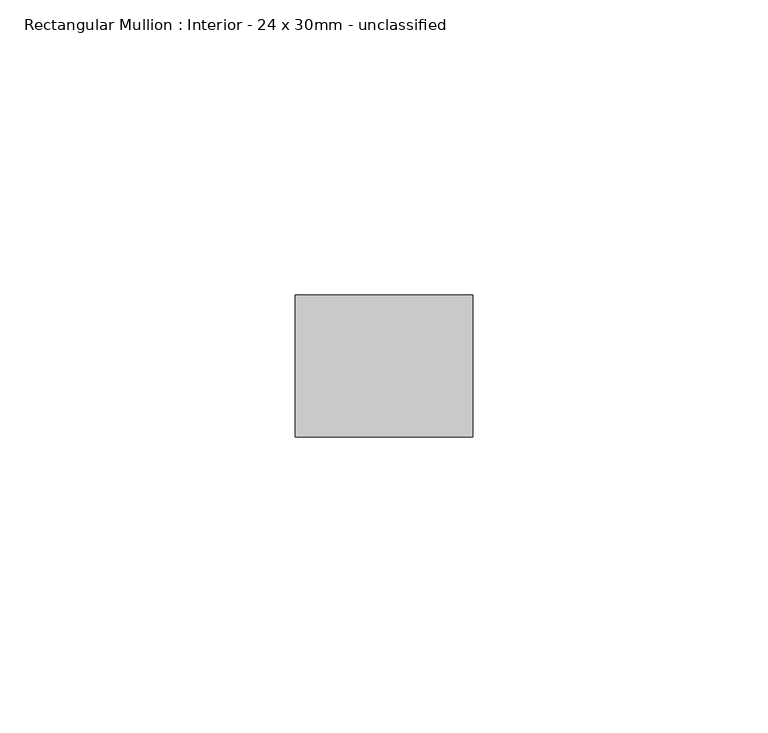
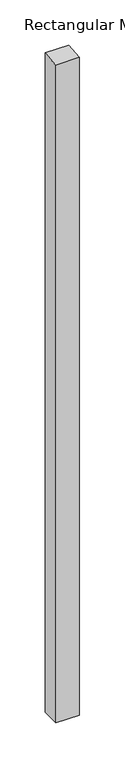
"""IFC4 building model written with IfcOpenShell, lengths in millimetres: member geometry, Rectangular Mullion : Interior - 24 x 30mm - unclassified."""

from ifc_helpers import new_model, si_unit, frame, origin, place, context, project, spatial, polyline, outline, extrude, source, transform, mapped, element, save


def rectangular_mullion_interior_24_x_30mm_unclassified_6284fec0(model_context):
    return source(origin(), model_context, "Body", "SweptSolid", [
        extrude(outline(polyline([(-12.0, -1.0412308), (12.0, 1.0412308), (12.0, -889.9205256), (-12.0, -889.9205256), (-12.0, -1.0412308)])), frame((-30.0, 0.0, 0.0), z_axis=(1.0, 0.0, 0.0), x_axis=(0.0, 1.0, 0.0)), (0.0, 0.0, 1.0), 30.0),
    ])


if __name__ == "__main__":
    model = new_model("IFC4")
    model_context = context("Model", 3, world=origin())
    ifc_project = project(units=[si_unit("LENGTHUNIT", "METRE", prefix="MILLI")], contexts=[model_context])
    site = spatial("IfcSite", under=ifc_project)
    building = spatial("IfcBuilding", under=site)
    placement = place(None, origin())
    rectangular_mullion_interior_24_x_30mm_unclassified_shape = rectangular_mullion_interior_24_x_30mm_unclassified_6284fec0(model_context)
    element("IfcMember", 1, ObjectType="Rectangular Mullion : Interior - 24 x 30mm - unclassified", at=placement, inside=building, context=model_context, shape_type="MappedRepresentation", body=[
        mapped(rectangular_mullion_interior_24_x_30mm_unclassified_shape, transform((0.0, 0.0, 0.0), x_axis=(1.0, 0.0, 0.0), y_axis=(0.0, 1.0, 0.0), z_axis=(0.0, 0.0, 1.0))),
    ])
    save(model, "model.ifc")
